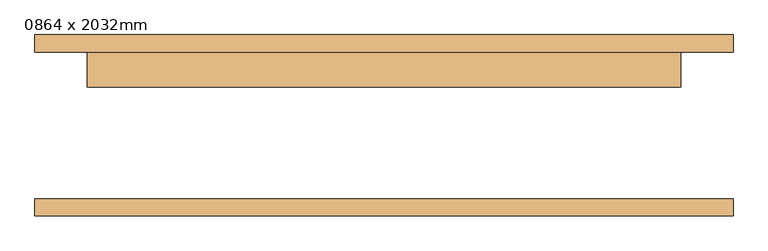
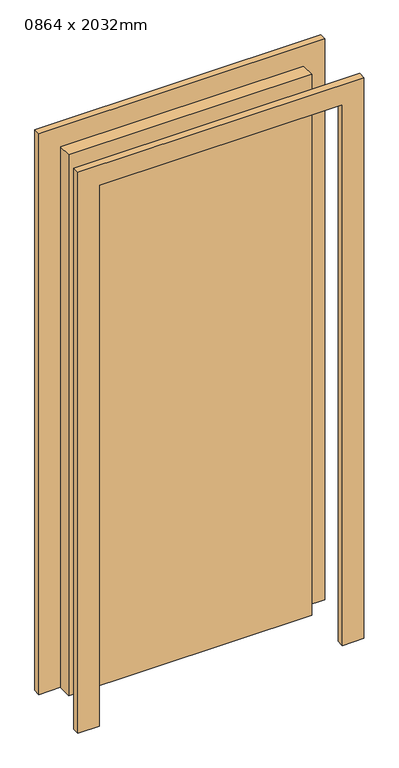
"""IFC4 building model written with IfcOpenShell, lengths in millimetres: door geometry, 0864 x 2032mm."""

import ifcopenshell
import ifcopenshell.guid

model = None  # the IFC model being written
_history = None  # IfcOwnerHistory: only IFC2X3 demands one
_inside = {}  # id of a spatial element -> (the spatial element, [elements in it])
_under = {}  # id of a project, library or spatial element -> (it, [spatial elements below it])
_declared = {}  # id of a project -> (the project, [libraries it declares])
_typed = {}  # id of a type object -> (the type object, [elements of that type])
_made_of = {}  # id of a material, layer set ... -> (it, [elements and type objects made of it])


def new_model(schema):
    """Start an empty IFC model of exactly this schema.

    Asked for "IFC4X3", IfcOpenShell would pick the latest addendum, in which some entities
    have other attributes; the version numbers below select the first issue.
    IFC2X3 requires an IfcOwnerHistory on every rooted entity: one is made here for all.
    """
    global model, _history
    if schema == "IFC4X3":
        model = ifcopenshell.file(schema_version=(4, 3, 0, 0))
    else:
        model = ifcopenshell.file(schema=schema)
    _inside.clear()
    _under.clear()
    _declared.clear()
    _typed.clear()
    _made_of.clear()
    _history = None
    if model.schema == "IFC2X3":
        org = make("IfcOrganization", Name="unknown")
        user = make(
            "IfcPersonAndOrganization",
            ThePerson=make("IfcPerson", FamilyName="unknown"),
            TheOrganization=org,
        )
        app = make(
            "IfcApplication",
            ApplicationDeveloper=org,
            Version="unknown",
            ApplicationFullName="unknown",
            ApplicationIdentifier="unknown",
        )
        _history = make(
            "IfcOwnerHistory",
            OwningUser=user,
            OwningApplication=app,
            ChangeAction="ADDED",
            CreationDate=0,
        )
    return model


def make(cls, **values):
    """One entity of the class cls with the attributes given. An attribute that is None is left unset."""
    return model.create_entity(
        cls, **{name: value for name, value in values.items() if value is not None}
    )


def rooted(cls, **values):
    """An entity with a GlobalId (a new one), such as an element, a storey or a relation."""
    return make(cls, GlobalId=ifcopenshell.guid.new(), OwnerHistory=_history, **values)


def si_unit(unit_type, name, prefix=None):
    """IfcSIUnit, for example si_unit("LENGTHUNIT", "METRE", prefix="MILLI")."""
    return make("IfcSIUnit", UnitType=unit_type, Prefix=prefix, Name=name)


def assignment(units):
    """IfcUnitAssignment: the units of a project."""
    return None if units is None else make("IfcUnitAssignment", Units=units)


def point(xyz):
    """IfcCartesianPoint."""
    return None if xyz is None else make("IfcCartesianPoint", Coordinates=xyz)


def direction(xyz):
    """IfcDirection."""
    return None if xyz is None else make("IfcDirection", DirectionRatios=xyz)


def frame(location, z_axis=None, x_axis=None):
    """IfcAxis2Placement3D, a coordinate frame: its origin and axes. An axis left out is left unset."""
    return make(
        "IfcAxis2Placement3D",
        Location=point(location),
        Axis=direction(z_axis),
        RefDirection=direction(x_axis),
    )


def origin():
    """The frame at (0, 0, 0) with its axes left unset."""
    return frame((0.0, 0.0, 0.0))


def origin_with_axes():
    """The frame at (0, 0, 0) with the z axis (0, 0, 1) and the x axis (1, 0, 0) written out."""
    return frame((0.0, 0.0, 0.0), z_axis=(0.0, 0.0, 1.0), x_axis=(1.0, 0.0, 0.0))


def place(relative_to, where):
    """IfcLocalPlacement: puts the frame where relative to a parent placement (None: the world)."""
    return make(
        "IfcLocalPlacement", PlacementRelTo=relative_to, RelativePlacement=where
    )


def context(
    kind, dimensions, precision=None, world=None, true_north=None, identifier=None
):
    """IfcGeometricRepresentationContext, for example the 3D "Model" context."""
    return make(
        "IfcGeometricRepresentationContext",
        ContextIdentifier=identifier,
        ContextType=kind,
        CoordinateSpaceDimension=dimensions,
        Precision=precision,
        WorldCoordinateSystem=world,
        TrueNorth=true_north,
    )


def project(units=None, contexts=None):
    """IfcProject with its units and contexts."""
    return rooted(
        "IfcProject",
        Name="project",
        RepresentationContexts=contexts,
        UnitsInContext=assignment(units),
    )


def spatial(cls, under=None, at=None, **own):
    """A site, building, storey or space (cls), placed at a placement, below another one or the project."""
    s = rooted(cls, ObjectPlacement=at, **own)
    if under is not None:
        _under.setdefault(under.id(), (under, []))[1].append(s)
    return s


def polyline(points):
    """IfcPolyline through the points."""
    return make("IfcPolyline", Points=[point(p) for p in points])


def outline(outer, holes=None, kind="AREA"):
    """IfcArbitraryClosedProfileDef: a profile drawn as a closed curve; with holes, ...WithVoids."""
    if holes is None:
        return make("IfcArbitraryClosedProfileDef", ProfileType=kind, OuterCurve=outer)
    return make(
        "IfcArbitraryProfileDefWithVoids",
        ProfileType=kind,
        OuterCurve=outer,
        InnerCurves=holes,
    )


def extrude(swept, where, along, depth):
    """IfcExtrudedAreaSolid: the profile swept, set in the frame where, extruded along a direction by depth."""
    return make(
        "IfcExtrudedAreaSolid",
        SweptArea=swept,
        Position=where,
        ExtrudedDirection=direction(along),
        Depth=depth,
    )


def shape(context_of_items, identifier, shape_type, items):
    """IfcShapeRepresentation: the items that make up one representation, for example the "Body"."""
    return make(
        "IfcShapeRepresentation",
        ContextOfItems=context_of_items,
        RepresentationIdentifier=identifier,
        RepresentationType=shape_type,
        Items=items,
    )


def source(mapping_origin, context_of_items, identifier, shape_type, items):
    """IfcRepresentationMap: a shape defined once, which mapped items show again and again."""
    return make(
        "IfcRepresentationMap",
        MappingOrigin=mapping_origin,
        MappedRepresentation=shape(context_of_items, identifier, shape_type, items),
    )


def transform(
    local_origin,
    x_axis=None,
    y_axis=None,
    z_axis=None,
    scale=None,
    scale2=None,
    scale3=None,
    uniform=True,
):
    """IfcCartesianTransformationOperator3D, or its non-uniform kind. x_axis, y_axis, z_axis: its Axis1, 2, 3."""
    if uniform:
        return make(
            "IfcCartesianTransformationOperator3D",
            Axis1=direction(x_axis),
            Axis2=direction(y_axis),
            LocalOrigin=point(local_origin),
            Scale=scale,
            Axis3=direction(z_axis),
        )
    return make(
        "IfcCartesianTransformationOperator3DnonUniform",
        Axis1=direction(x_axis),
        Axis2=direction(y_axis),
        LocalOrigin=point(local_origin),
        Scale=scale,
        Axis3=direction(z_axis),
        Scale2=scale2,
        Scale3=scale3,
    )


def mapped(mapping_source, mapping_target):
    """IfcMappedItem: shows the shape of a source again, moved by a transform."""
    return make(
        "IfcMappedItem", MappingSource=mapping_source, MappingTarget=mapping_target
    )


def made_of(thing, what):
    """Note that an element or type object is made of a material, layer set ...; save() writes the relation."""
    if what is not None:
        _made_of.setdefault(what.id(), (what, []))[1].append(thing)
    return thing


def element(
    cls,
    number,
    at=None,
    inside=None,
    cuts=None,
    type_object=None,
    material=None,
    context=None,
    identifier="Body",
    shape_type=None,
    held_by="IfcProductDefinitionShape",
    body=None,
    shapes=None,
    **own,
):
    """One element of the class cls, such as IfcWall. Its Tag is "e" and its number.

    at: its placement. inside: the storey or other place that contains it. cuts: it is an
    opening in that element (IfcRelVoidsElement). A single representation is given by context,
    identifier, shape_type and body (its items); several are given by shapes. held_by: the class
    of the entity that holds the representations. save() writes the other relations.
    """
    e = rooted(cls, Tag="e%d" % number, ObjectPlacement=at, **own)
    if body is not None:
        shapes = [shape(context, identifier, shape_type, body)]
    if shapes is not None:
        e.Representation = make(held_by, Representations=shapes)
    if inside is not None:
        _inside.setdefault(inside.id(), (inside, []))[1].append(e)
    if cuts is not None:
        rooted(
            "IfcRelVoidsElement", RelatingBuildingElement=cuts, RelatedOpeningElement=e
        )
    if type_object is not None:
        _typed.setdefault(type_object.id(), (type_object, []))[1].append(e)
    return made_of(e, material)


def aggregate(whole, parts):
    """IfcRelAggregates: a whole, such as a stair, and the parts it consists of."""
    return rooted("IfcRelAggregates", RelatingObject=whole, RelatedObjects=parts)


def save(model, path):
    """Write the relations noted so far, then the file.

    IfcRelAggregates (storeys below a building ...), IfcRelContainedInSpatialStructure (elements
    in a storey), IfcRelDefinesByType, IfcRelAssociatesMaterial and IfcRelDeclares: one each for
    every whole, place, type object, material and project.
    """
    for whole, parts in _under.values():
        aggregate(whole, parts)
    for where, things in _inside.values():
        rooted(
            "IfcRelContainedInSpatialStructure",
            RelatedElements=things,
            RelatingStructure=where,
        )
    for kind, things in _typed.values():
        rooted("IfcRelDefinesByType", RelatedObjects=things, RelatingType=kind)
    for what, things in _made_of.values():
        rooted("IfcRelAssociatesMaterial", RelatedObjects=things, RelatingMaterial=what)
    for by, libraries in _declared.values():
        rooted("IfcRelDeclares", RelatingContext=by, RelatedDefinitions=libraries)
    model.write(path)


def door_0864_x_2032mm_4d464fe9(model_context):
    return source(origin(), model_context, "Body", "SweptSolid", [
        extrude(outline(polyline([(2108.0, -508.0), (0.0, -508.0), (0.0, -432.0), (2032.0, -432.0), (2032.0, 432.0), (0.0, 432.0), (0.0, 508.0), (2108.0, 508.0), (2108.0, -508.0)])), frame((0.0, 107.0, 0.0), z_axis=(0.0, 1.0, 0.0), x_axis=(0.0, 0.0, 1.0)), (0.0, 0.0, 1.0), 25.0),
        extrude(outline(polyline([(2108.0, 508.0), (2108.0, -508.0), (0.0, -508.0), (0.0, -432.0), (2032.0, -432.0), (2032.0, 432.0), (0.0, 432.0), (0.0, 508.0), (2108.0, 508.0)])), frame((0.0, -132.0, 0.0), z_axis=(0.0, 1.0, 0.0), x_axis=(0.0, 0.0, 1.0)), (0.0, 0.0, 1.0), 25.0),
        extrude(outline(polyline([(432.0, 56.0), (-432.0, 56.0), (-432.0, 107.0), (432.0, 107.0), (432.0, 56.0)])), origin_with_axes(), (0.0, 0.0, 1.0), 2032.0),
    ])


if __name__ == "__main__":
    model = new_model("IFC4")
    model_context = context("Model", 3, world=origin())
    ifc_project = project(units=[si_unit("LENGTHUNIT", "METRE", prefix="MILLI")], contexts=[model_context])
    site = spatial("IfcSite", under=ifc_project)
    building = spatial("IfcBuilding", under=site)
    placement = place(None, origin())
    door_0864_x_2032mm_shape = door_0864_x_2032mm_4d464fe9(model_context)
    element("IfcDoor", 1, ObjectType="0864 x 2032mm", at=placement, inside=building, context=model_context, shape_type="MappedRepresentation", body=[
        mapped(door_0864_x_2032mm_shape, transform((0.0, 0.0, 0.0), x_axis=(1.0, 0.0, 0.0), y_axis=(0.0, 1.0, 0.0), z_axis=(0.0, 0.0, 1.0))),
    ])
    save(model, "model.ifc")
